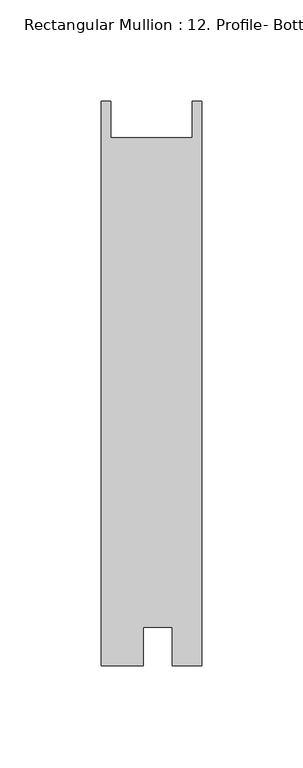
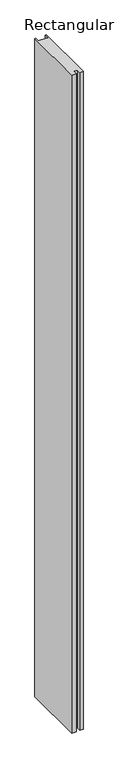
"""IFC4 building model written with IfcOpenShell, lengths in millimetres: member geometry, Rectangular Mullion : 12. Profile- Bottom Rail Option Detail-3."""

import ifcopenshell
import ifcopenshell.guid

model = None  # the IFC model being written
_history = None  # IfcOwnerHistory: only IFC2X3 demands one
_inside = {}  # id of a spatial element -> (the spatial element, [elements in it])
_under = {}  # id of a project, library or spatial element -> (it, [spatial elements below it])
_declared = {}  # id of a project -> (the project, [libraries it declares])
_typed = {}  # id of a type object -> (the type object, [elements of that type])
_made_of = {}  # id of a material, layer set ... -> (it, [elements and type objects made of it])


def new_model(schema):
    """Start an empty IFC model of exactly this schema.

    Asked for "IFC4X3", IfcOpenShell would pick the latest addendum, in which some entities
    have other attributes; the version numbers below select the first issue.
    IFC2X3 requires an IfcOwnerHistory on every rooted entity: one is made here for all.
    """
    global model, _history
    if schema == "IFC4X3":
        model = ifcopenshell.file(schema_version=(4, 3, 0, 0))
    else:
        model = ifcopenshell.file(schema=schema)
    _inside.clear()
    _under.clear()
    _declared.clear()
    _typed.clear()
    _made_of.clear()
    _history = None
    if model.schema == "IFC2X3":
        org = make("IfcOrganization", Name="unknown")
        user = make(
            "IfcPersonAndOrganization",
            ThePerson=make("IfcPerson", FamilyName="unknown"),
            TheOrganization=org,
        )
        app = make(
            "IfcApplication",
            ApplicationDeveloper=org,
            Version="unknown",
            ApplicationFullName="unknown",
            ApplicationIdentifier="unknown",
        )
        _history = make(
            "IfcOwnerHistory",
            OwningUser=user,
            OwningApplication=app,
            ChangeAction="ADDED",
            CreationDate=0,
        )
    return model


def make(cls, **values):
    """One entity of the class cls with the attributes given. An attribute that is None is left unset."""
    return model.create_entity(
        cls, **{name: value for name, value in values.items() if value is not None}
    )


def rooted(cls, **values):
    """An entity with a GlobalId (a new one), such as an element, a storey or a relation."""
    return make(cls, GlobalId=ifcopenshell.guid.new(), OwnerHistory=_history, **values)


def si_unit(unit_type, name, prefix=None):
    """IfcSIUnit, for example si_unit("LENGTHUNIT", "METRE", prefix="MILLI")."""
    return make("IfcSIUnit", UnitType=unit_type, Prefix=prefix, Name=name)


def assignment(units):
    """IfcUnitAssignment: the units of a project."""
    return None if units is None else make("IfcUnitAssignment", Units=units)


def point(xyz):
    """IfcCartesianPoint."""
    return None if xyz is None else make("IfcCartesianPoint", Coordinates=xyz)


def direction(xyz):
    """IfcDirection."""
    return None if xyz is None else make("IfcDirection", DirectionRatios=xyz)


def frame(location, z_axis=None, x_axis=None):
    """IfcAxis2Placement3D, a coordinate frame: its origin and axes. An axis left out is left unset."""
    return make(
        "IfcAxis2Placement3D",
        Location=point(location),
        Axis=direction(z_axis),
        RefDirection=direction(x_axis),
    )


def origin():
    """The frame at (0, 0, 0) with its axes left unset."""
    return frame((0.0, 0.0, 0.0))


def place(relative_to, where):
    """IfcLocalPlacement: puts the frame where relative to a parent placement (None: the world)."""
    return make(
        "IfcLocalPlacement", PlacementRelTo=relative_to, RelativePlacement=where
    )


def context(
    kind, dimensions, precision=None, world=None, true_north=None, identifier=None
):
    """IfcGeometricRepresentationContext, for example the 3D "Model" context."""
    return make(
        "IfcGeometricRepresentationContext",
        ContextIdentifier=identifier,
        ContextType=kind,
        CoordinateSpaceDimension=dimensions,
        Precision=precision,
        WorldCoordinateSystem=world,
        TrueNorth=true_north,
    )


def project(units=None, contexts=None):
    """IfcProject with its units and contexts."""
    return rooted(
        "IfcProject",
        Name="project",
        RepresentationContexts=contexts,
        UnitsInContext=assignment(units),
    )


def spatial(cls, under=None, at=None, **own):
    """A site, building, storey or space (cls), placed at a placement, below another one or the project."""
    s = rooted(cls, ObjectPlacement=at, **own)
    if under is not None:
        _under.setdefault(under.id(), (under, []))[1].append(s)
    return s


def polyline(points):
    """IfcPolyline through the points."""
    return make("IfcPolyline", Points=[point(p) for p in points])


def outline(outer, holes=None, kind="AREA"):
    """IfcArbitraryClosedProfileDef: a profile drawn as a closed curve; with holes, ...WithVoids."""
    if holes is None:
        return make("IfcArbitraryClosedProfileDef", ProfileType=kind, OuterCurve=outer)
    return make(
        "IfcArbitraryProfileDefWithVoids",
        ProfileType=kind,
        OuterCurve=outer,
        InnerCurves=holes,
    )


def extrude(swept, where, along, depth):
    """IfcExtrudedAreaSolid: the profile swept, set in the frame where, extruded along a direction by depth."""
    return make(
        "IfcExtrudedAreaSolid",
        SweptArea=swept,
        Position=where,
        ExtrudedDirection=direction(along),
        Depth=depth,
    )


def shape(context_of_items, identifier, shape_type, items):
    """IfcShapeRepresentation: the items that make up one representation, for example the "Body"."""
    return make(
        "IfcShapeRepresentation",
        ContextOfItems=context_of_items,
        RepresentationIdentifier=identifier,
        RepresentationType=shape_type,
        Items=items,
    )


def source(mapping_origin, context_of_items, identifier, shape_type, items):
    """IfcRepresentationMap: a shape defined once, which mapped items show again and again."""
    return make(
        "IfcRepresentationMap",
        MappingOrigin=mapping_origin,
        MappedRepresentation=shape(context_of_items, identifier, shape_type, items),
    )


def transform(
    local_origin,
    x_axis=None,
    y_axis=None,
    z_axis=None,
    scale=None,
    scale2=None,
    scale3=None,
    uniform=True,
):
    """IfcCartesianTransformationOperator3D, or its non-uniform kind. x_axis, y_axis, z_axis: its Axis1, 2, 3."""
    if uniform:
        return make(
            "IfcCartesianTransformationOperator3D",
            Axis1=direction(x_axis),
            Axis2=direction(y_axis),
            LocalOrigin=point(local_origin),
            Scale=scale,
            Axis3=direction(z_axis),
        )
    return make(
        "IfcCartesianTransformationOperator3DnonUniform",
        Axis1=direction(x_axis),
        Axis2=direction(y_axis),
        LocalOrigin=point(local_origin),
        Scale=scale,
        Axis3=direction(z_axis),
        Scale2=scale2,
        Scale3=scale3,
    )


def mapped(mapping_source, mapping_target):
    """IfcMappedItem: shows the shape of a source again, moved by a transform."""
    return make(
        "IfcMappedItem", MappingSource=mapping_source, MappingTarget=mapping_target
    )


def made_of(thing, what):
    """Note that an element or type object is made of a material, layer set ...; save() writes the relation."""
    if what is not None:
        _made_of.setdefault(what.id(), (what, []))[1].append(thing)
    return thing


def element(
    cls,
    number,
    at=None,
    inside=None,
    cuts=None,
    type_object=None,
    material=None,
    context=None,
    identifier="Body",
    shape_type=None,
    held_by="IfcProductDefinitionShape",
    body=None,
    shapes=None,
    **own,
):
    """One element of the class cls, such as IfcWall. Its Tag is "e" and its number.

    at: its placement. inside: the storey or other place that contains it. cuts: it is an
    opening in that element (IfcRelVoidsElement). A single representation is given by context,
    identifier, shape_type and body (its items); several are given by shapes. held_by: the class
    of the entity that holds the representations. save() writes the other relations.
    """
    e = rooted(cls, Tag="e%d" % number, ObjectPlacement=at, **own)
    if body is not None:
        shapes = [shape(context, identifier, shape_type, body)]
    if shapes is not None:
        e.Representation = make(held_by, Representations=shapes)
    if inside is not None:
        _inside.setdefault(inside.id(), (inside, []))[1].append(e)
    if cuts is not None:
        rooted(
            "IfcRelVoidsElement", RelatingBuildingElement=cuts, RelatedOpeningElement=e
        )
    if type_object is not None:
        _typed.setdefault(type_object.id(), (type_object, []))[1].append(e)
    return made_of(e, material)


def aggregate(whole, parts):
    """IfcRelAggregates: a whole, such as a stair, and the parts it consists of."""
    return rooted("IfcRelAggregates", RelatingObject=whole, RelatedObjects=parts)


def save(model, path):
    """Write the relations noted so far, then the file.

    IfcRelAggregates (storeys below a building ...), IfcRelContainedInSpatialStructure (elements
    in a storey), IfcRelDefinesByType, IfcRelAssociatesMaterial and IfcRelDeclares: one each for
    every whole, place, type object, material and project.
    """
    for whole, parts in _under.values():
        aggregate(whole, parts)
    for where, things in _inside.values():
        rooted(
            "IfcRelContainedInSpatialStructure",
            RelatedElements=things,
            RelatingStructure=where,
        )
    for kind, things in _typed.values():
        rooted("IfcRelDefinesByType", RelatedObjects=things, RelatingType=kind)
    for what, things in _made_of.values():
        rooted("IfcRelAssociatesMaterial", RelatedObjects=things, RelatingMaterial=what)
    for by, libraries in _declared.values():
        rooted("IfcRelDeclares", RelatingContext=by, RelatedDefinitions=libraries)
    model.write(path)


def rectangular_mullion_12_profile_bottom_rail_option_detail_3_b2f33930(model_context):
    return source(origin(), model_context, "Body", "SweptSolid", [
        extrude(outline(polyline([(0.0, 0.0324047), (0.0, -279.3688666), (-14.605, -279.3688666), (-14.605, -260.3442666), (-28.9216989, -260.3442666), (-28.9216989, -279.3688653), (-49.784, -279.3688653), (-49.784, 0.0324047), (-45.0215, 0.0324047), (-45.0215, -18.2047953), (-4.7625, -18.2047953), (-4.7625, 0.0324047), (0.0, 0.0324047)])), frame((0.0, 0.0, -3048.0), z_axis=(0.0, 0.0, 1.0), x_axis=(1.0, 0.0, 0.0)), (0.0, 0.0, 1.0), 3048.0),
    ])


if __name__ == "__main__":
    model = new_model("IFC4")
    model_context = context("Model", 3, world=origin())
    ifc_project = project(units=[si_unit("LENGTHUNIT", "METRE", prefix="MILLI")], contexts=[model_context])
    site = spatial("IfcSite", under=ifc_project)
    building = spatial("IfcBuilding", under=site)
    placement = place(None, origin())
    rectangular_mullion_12_profile_bottom_rail_option_detail_3_shape = rectangular_mullion_12_profile_bottom_rail_option_detail_3_b2f33930(model_context)
    element("IfcMember", 1, ObjectType="Rectangular Mullion : 12. Profile- Bottom Rail Option Detail-3", at=placement, inside=building, context=model_context, shape_type="MappedRepresentation", body=[
        mapped(rectangular_mullion_12_profile_bottom_rail_option_detail_3_shape, transform((0.0, 0.0, 0.0), x_axis=(1.0, 0.0, 0.0), y_axis=(0.0, 1.0, 0.0), z_axis=(0.0, 0.0, 1.0))),
    ])
    save(model, "model.ifc")
